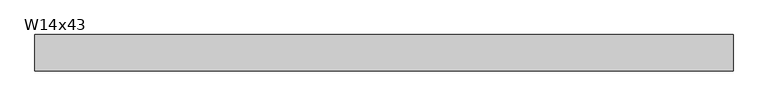
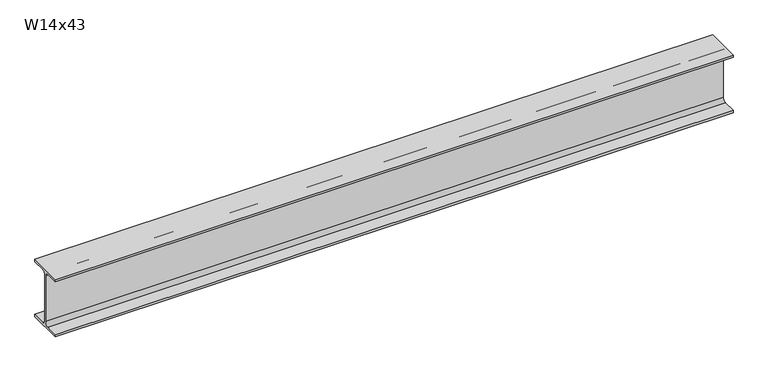
"""IFC4 building model written with IfcOpenShell, lengths in millimetres: beam geometry, W14x43."""

from ifc_helpers import new_model, si_unit, point, frame, frame_2d, origin, place, context, project, spatial, polyline, circle_curve, trimmed, segment, composite_curve, outline, extrude, source, transform, mapped, element, save


def w14x43_e6a3467d(model_context):
    return source(origin(), model_context, "Body", "SweptSolid", [
        extrude(outline(composite_curve([segment(polyline([(101.6, -160.528), (101.6, -173.99), (-101.6, -173.99), (-101.6, -160.528), (-25.3365, -160.528)]), True, "CONTINUOUS"), segment(trimmed(circle_curve(frame_2d((-25.3365, -139.065)), 21.463), [point((-25.3365, -160.528))], [point((-3.8735, -139.065))], True, "CARTESIAN"), True, "CONTINUOUS"), segment(polyline([(-3.8735, -139.065), (-3.8735, 139.065)]), True, "CONTINUOUS"), segment(trimmed(circle_curve(frame_2d((-25.3365, 139.065)), 21.463), [point((-3.8735, 139.065))], [point((-25.3365, 160.528))], True, "CARTESIAN"), True, "CONTINUOUS"), segment(polyline([(-25.3365, 160.528), (-101.6, 160.528), (-101.6, 173.99), (101.6, 173.99), (101.6, 160.528), (25.3365, 160.528)]), True, "CONTINUOUS"), segment(trimmed(circle_curve(frame_2d((25.3365, 139.065)), 21.463), [point((25.3365, 160.528))], [point((3.8735, 139.065))], True, "CARTESIAN"), True, "CONTINUOUS"), segment(polyline([(3.8735, 139.065), (3.8735, -139.065)]), True, "CONTINUOUS"), segment(trimmed(circle_curve(frame_2d((25.3365, -139.065)), 21.463), [point((3.8735, -139.065))], [point((25.3365, -160.528))], True, "CARTESIAN"), True, "CONTINUOUS"), segment(polyline([(25.3365, -160.528), (101.6, -160.528)]), True, "CONTINUOUS")], self_intersect=False)), frame((-1894.6513979, 0.0, 0.0), z_axis=(1.0, 0.0, 0.0), x_axis=(0.0, 1.0, 0.0)), (0.0, 0.0, 1.0), 3891.7269886),
    ])


if __name__ == "__main__":
    model = new_model("IFC4")
    model_context = context("Model", 3, world=origin())
    ifc_project = project(units=[si_unit("LENGTHUNIT", "METRE", prefix="MILLI")], contexts=[model_context])
    site = spatial("IfcSite", under=ifc_project)
    building = spatial("IfcBuilding", under=site)
    placement = place(None, origin())
    w14x43_shape = w14x43_e6a3467d(model_context)
    element("IfcBeam", 1, ObjectType="W14x43", at=placement, inside=building, context=model_context, shape_type="MappedRepresentation", body=[
        mapped(w14x43_shape, transform((0.0, 0.0, 0.0), x_axis=(1.0, 0.0, 0.0), y_axis=(0.0, 1.0, 0.0), z_axis=(0.0, 0.0, 1.0))),
    ])
    save(model, "model.ifc")
